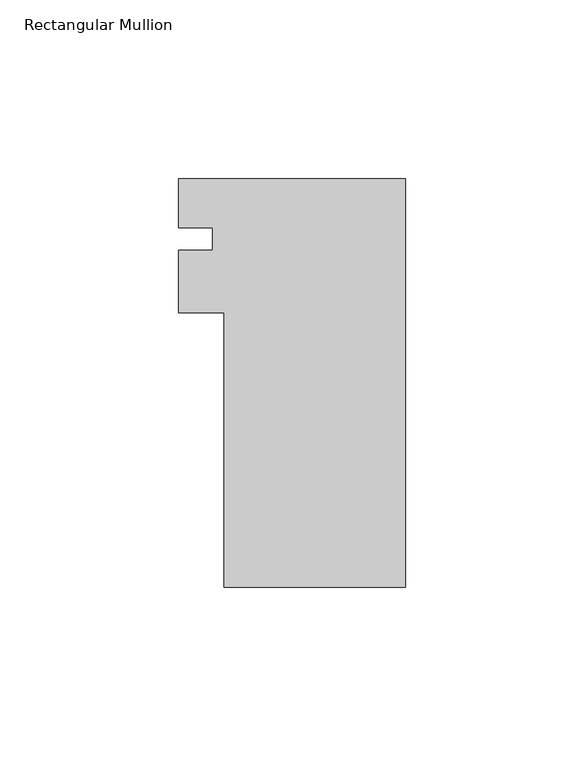
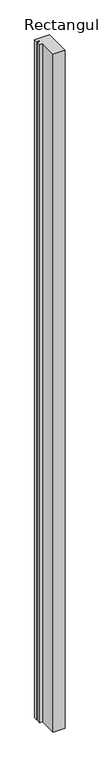
"""IFC4 building model written with IfcOpenShell, lengths in millimetres: member geometry, Rectangular Mullion."""

from ifc_helpers import new_model, si_unit, frame, origin, place, context, project, spatial, polyline, outline, extrude, source, transform, mapped, element, save


def rectangular_mullion_e6481909(model_context):
    return source(origin(), model_context, "Body", "SweptSolid", [
        extrude(outline(polyline([(-50.8, -100.7927562), (-50.8, -23.9577562), (-63.4999959, -23.9577562), (-63.4999959, -6.4596573), (-53.9749959, -6.4596573), (-53.9749959, -0.1452562), (-63.4999959, -0.1452563), (-63.4999959, 13.5072437), (0.0, 13.5072438), (0.0, -100.7927562), (-50.8, -100.7927562)])), frame((0.0, 0.0, -3048.0), z_axis=(0.0, 0.0, 1.0), x_axis=(1.0, 0.0, 0.0)), (0.0, 0.0, 1.0), 3048.0),
    ])


if __name__ == "__main__":
    model = new_model("IFC4")
    model_context = context("Model", 3, world=origin())
    ifc_project = project(units=[si_unit("LENGTHUNIT", "METRE", prefix="MILLI")], contexts=[model_context])
    site = spatial("IfcSite", under=ifc_project)
    building = spatial("IfcBuilding", under=site)
    placement = place(None, origin())
    rectangular_mullion_shape = rectangular_mullion_e6481909(model_context)
    element("IfcMember", 1, ObjectType="Rectangular Mullion", at=placement, inside=building, context=model_context, shape_type="MappedRepresentation", body=[
        mapped(rectangular_mullion_shape, transform((0.0, 0.0, 0.0), x_axis=(1.0, 0.0, 0.0), y_axis=(0.0, 1.0, 0.0), z_axis=(0.0, 0.0, 1.0))),
    ])
    save(model, "model.ifc")
